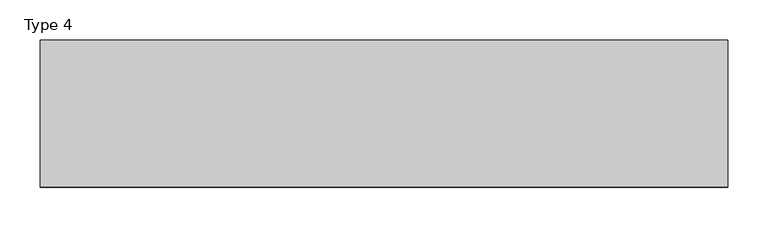
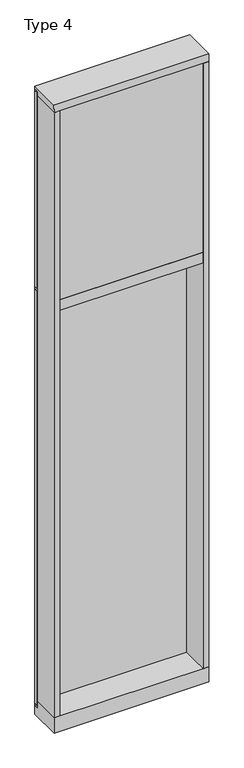
"""IFC4 building model written with IfcOpenShell, lengths in millimetres: plate geometry, Type 4."""

from ifc_helpers import new_model, si_unit, frame, origin, place, context, project, spatial, polyline, outline, extrude, source, transform, mapped, element, save


def type_4_8e096ab5(model_context):
    return source(origin(), model_context, "Body", "SweptSolid", [
        extrude(outline(polyline([(-428.625, -155.9814), (-428.625, 2.286), (-396.875, 2.286), (-396.875, -155.9814), (-428.625, -155.9814)])), frame((0.0, 0.0, 31.75), z_axis=(0.0, 0.0, 1.0), x_axis=(1.0, 0.0, 0.0)), (0.0, 0.0, 1.0), 3543.3),
        extrude(outline(polyline([(428.625, -155.9814), (396.875, -155.9814), (396.875, 2.286), (428.625, 2.286), (428.625, -155.9814)])), frame((0.0, 0.0, 31.75), z_axis=(0.0, 0.0, 1.0), x_axis=(1.0, 0.0, 0.0)), (0.0, 0.0, 1.0), 3543.3),
        extrude(outline(polyline([(396.8760892, -48.6409999), (396.8760892, -156.32684), (-396.875, -156.32684), (-396.875, -48.6409999), (396.8760892, -48.6409999)])), frame((0.0, 0.0, 2470.15), z_axis=(0.0, 0.0, 1.0), x_axis=(1.0, 0.0, 0.0)), (0.0, 0.0, 1.0), 1104.9984372),
        extrude(outline(polyline([(428.625, 27.6881517), (428.625, 11.2982336), (415.9260892, 11.2982336), (415.9260892, 27.6881517), (428.625, 27.6881517)])), frame((0.0, 0.0, 2444.75), z_axis=(0.0, 0.0, 1.0), x_axis=(1.0, 0.0, 0.0)), (0.0, 0.0, 1.0), 1149.35),
        extrude(outline(polyline([(-415.9260892, 27.6881517), (-415.9260892, 11.2982336), (-428.625, 11.2982336), (-428.625, 27.6881517), (-415.9260892, 27.6881517)])), frame((0.0, 0.0, 2444.75), z_axis=(0.0, 0.0, 1.0), x_axis=(1.0, 0.0, 0.0)), (0.0, 0.0, 1.0), 1149.35),
        extrude(outline(polyline([(415.9260892, 27.686), (415.9260892, 2.286), (-415.9260892, 2.286), (-415.9260892, 27.686), (415.9260892, 27.686)])), frame((0.0, 0.0, 2444.75), z_axis=(0.0, 0.0, 1.0), x_axis=(1.0, 0.0, 0.0)), (0.0, 0.0, 1.0), 1149.35),
        extrude(outline(polyline([(428.625, 27.6881517), (428.625, 11.2982336), (415.9260892, 11.2982336), (415.9260892, 27.6881517), (428.625, 27.6881517)])), frame((0.0, 0.0, 6.35), z_axis=(0.0, 0.0, 1.0), x_axis=(1.0, 0.0, 0.0)), (0.0, 0.0, 1.0), 2425.7),
        extrude(outline(polyline([(-415.9260892, 27.6881517), (-415.9260892, 11.2982336), (-428.625, 11.2982336), (-428.625, 27.6881517), (-415.9260892, 27.6881517)])), frame((0.0, 0.0, 6.35), z_axis=(0.0, 0.0, 1.0), x_axis=(1.0, 0.0, 0.0)), (0.0, 0.0, 1.0), 2425.7),
        extrude(outline(polyline([(415.9260892, 27.686), (415.9260892, 2.286), (-415.9260892, 2.286), (-415.9260892, 27.686), (415.9260892, 27.686)])), frame((0.0, 0.0, 6.35), z_axis=(0.0, 0.0, 1.0), x_axis=(1.0, 0.0, 0.0)), (0.0, 0.0, 1.0), 2425.7),
        extrude(outline(polyline([(428.625, 27.686), (428.625, 6.35), (-428.625, 6.35), (-428.625, 27.686), (428.625, 27.686)])), frame((0.0, 0.0, 2432.05), z_axis=(0.0, 0.0, 1.0), x_axis=(1.0, 0.0, 0.0)), (0.0, 0.0, 1.0), 12.7),
        extrude(outline(polyline([(-428.625, 15.9510838), (-428.625, 27.6859999), (428.625, 27.6859999), (428.625, 15.9510838), (-428.625, 15.9510838)])), frame((0.0, 0.0, 3594.7366239), z_axis=(0.0, 0.0, 1.0), x_axis=(1.0, 0.0, 0.0)), (0.0, 0.0, 1.0), 6.7161694),
        extrude(outline(polyline([(27.686, 3619.5), (27.686, 3601.4527933), (2.286, 3601.4527933), (2.286, 3575.6866239), (-155.6003929, 3575.6866239), (-155.4081413, 3619.5), (27.686, 3619.5)])), frame((-428.625, 0.0, 0.0), z_axis=(1.0, 0.0, 0.0), x_axis=(0.0, 1.0, 0.0)), (0.0, 0.0, 1.0), 857.25),
        extrude(outline(polyline([(-428.625, 5.0946564), (-428.625, 27.6881517), (428.625, 27.6881517), (428.625, 5.0946564), (-428.625, 5.0946564)])), frame((0.0, 0.0, -6.2984797), z_axis=(0.0, 0.0, 1.0), x_axis=(1.0, 0.0, 0.0)), (0.0, 0.0, 1.0), 12.6484797),
        extrude(outline(polyline([(-396.875, -155.4734), (-396.875, 2.2859999), (396.875, 2.2859999), (396.875, -155.4734), (-396.875, -155.4734)])), frame((0.0, 0.0, 2406.65), z_axis=(0.0, 0.0, 1.0), x_axis=(1.0, 0.0, 0.0)), (0.0, 0.0, 1.0), 63.5),
        extrude(outline(polyline([(2.2859999, 31.75), (2.2859999, -6.2983857), (27.6858239, -6.2983857), (27.6858239, -57.15), (-155.6004, -57.15), (-155.6004, 31.75), (2.2859999, 31.75)])), frame((-428.625, 0.0, 0.0), z_axis=(1.0, 0.0, 0.0), x_axis=(0.0, 1.0, 0.0)), (0.0, 0.0, 1.0), 857.25),
    ])


if __name__ == "__main__":
    model = new_model("IFC4")
    model_context = context("Model", 3, world=origin())
    ifc_project = project(units=[si_unit("LENGTHUNIT", "METRE", prefix="MILLI")], contexts=[model_context])
    site = spatial("IfcSite", under=ifc_project)
    building = spatial("IfcBuilding", under=site)
    placement = place(None, origin())
    type_4_shape = type_4_8e096ab5(model_context)
    element("IfcPlate", 1, ObjectType="Type 4", at=placement, inside=building, context=model_context, shape_type="MappedRepresentation", body=[
        mapped(type_4_shape, transform((0.0, 0.0, 0.0), x_axis=(1.0, 0.0, 0.0), y_axis=(0.0, 1.0, 0.0), z_axis=(0.0, 0.0, 1.0))),
    ])
    save(model, "model.ifc")
